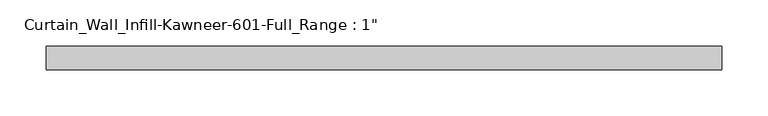
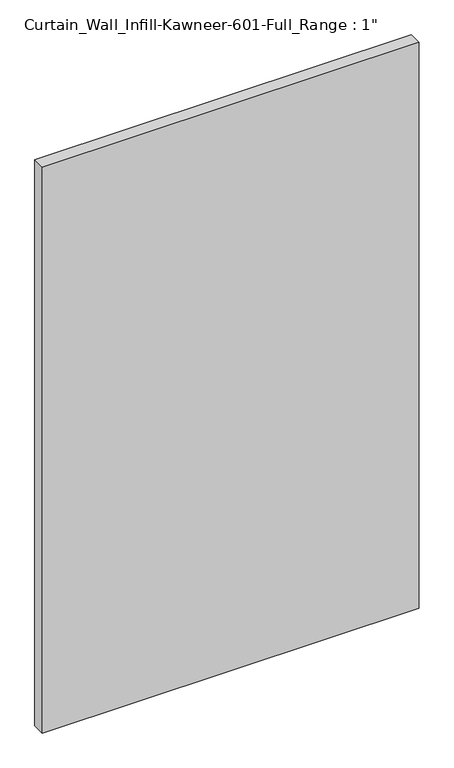
"""IFC4 building model written with IfcOpenShell, lengths in millimetres: plate geometry."""

from ifc_helpers import new_model, si_unit, origin, origin_with_axes, place, context, project, spatial, polyline, outline, extrude, source, transform, mapped, element, save


def plate_71c1b10b(model_context):
    return source(origin(), model_context, "Body", "SweptSolid", [
        extrude(outline(polyline([(-365.9214131, -12.7), (-365.9214131, 12.7), (365.9214131, 12.7), (365.9214131, -12.7), (-365.9214131, -12.7)])), origin_with_axes(), (0.0, 0.0, 1.0), 1162.05),
    ])


if __name__ == "__main__":
    model = new_model("IFC4")
    model_context = context("Model", 3, world=origin())
    ifc_project = project(units=[si_unit("LENGTHUNIT", "METRE", prefix="MILLI")], contexts=[model_context])
    site = spatial("IfcSite", under=ifc_project)
    building = spatial("IfcBuilding", under=site)
    placement = place(None, origin())
    plate_shape = plate_71c1b10b(model_context)
    element("IfcPlate", 1, ObjectType="Curtain_Wall_Infill-Kawneer-601-Full_Range : 1\"", at=placement, inside=building, context=model_context, shape_type="MappedRepresentation", body=[
        mapped(plate_shape, transform((0.0, 0.0, 0.0), x_axis=(1.0, 0.0, 0.0), y_axis=(0.0, 1.0, 0.0), z_axis=(0.0, 0.0, 1.0))),
    ])
    save(model, "model.ifc")
